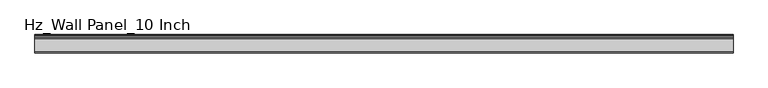
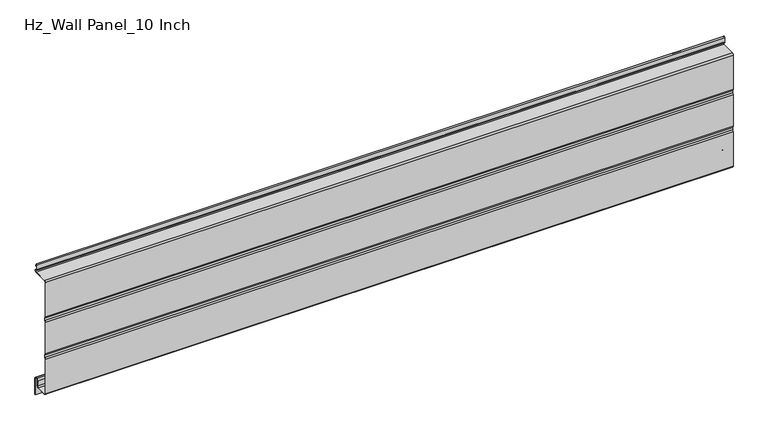
"""IFC4 building model written with IfcOpenShell, lengths in millimetres: plate geometry, Hz_Wall Panel_10 Inch."""

import ifcopenshell
import ifcopenshell.guid

model = None  # the IFC model being written
_history = None  # IfcOwnerHistory: only IFC2X3 demands one
_inside = {}  # id of a spatial element -> (the spatial element, [elements in it])
_under = {}  # id of a project, library or spatial element -> (it, [spatial elements below it])
_declared = {}  # id of a project -> (the project, [libraries it declares])
_typed = {}  # id of a type object -> (the type object, [elements of that type])
_made_of = {}  # id of a material, layer set ... -> (it, [elements and type objects made of it])


def new_model(schema):
    """Start an empty IFC model of exactly this schema.

    Asked for "IFC4X3", IfcOpenShell would pick the latest addendum, in which some entities
    have other attributes; the version numbers below select the first issue.
    IFC2X3 requires an IfcOwnerHistory on every rooted entity: one is made here for all.
    """
    global model, _history
    if schema == "IFC4X3":
        model = ifcopenshell.file(schema_version=(4, 3, 0, 0))
    else:
        model = ifcopenshell.file(schema=schema)
    _inside.clear()
    _under.clear()
    _declared.clear()
    _typed.clear()
    _made_of.clear()
    _history = None
    if model.schema == "IFC2X3":
        org = make("IfcOrganization", Name="unknown")
        user = make(
            "IfcPersonAndOrganization",
            ThePerson=make("IfcPerson", FamilyName="unknown"),
            TheOrganization=org,
        )
        app = make(
            "IfcApplication",
            ApplicationDeveloper=org,
            Version="unknown",
            ApplicationFullName="unknown",
            ApplicationIdentifier="unknown",
        )
        _history = make(
            "IfcOwnerHistory",
            OwningUser=user,
            OwningApplication=app,
            ChangeAction="ADDED",
            CreationDate=0,
        )
    return model


def make(cls, **values):
    """One entity of the class cls with the attributes given. An attribute that is None is left unset."""
    return model.create_entity(
        cls, **{name: value for name, value in values.items() if value is not None}
    )


def rooted(cls, **values):
    """An entity with a GlobalId (a new one), such as an element, a storey or a relation."""
    return make(cls, GlobalId=ifcopenshell.guid.new(), OwnerHistory=_history, **values)


def si_unit(unit_type, name, prefix=None):
    """IfcSIUnit, for example si_unit("LENGTHUNIT", "METRE", prefix="MILLI")."""
    return make("IfcSIUnit", UnitType=unit_type, Prefix=prefix, Name=name)


def assignment(units):
    """IfcUnitAssignment: the units of a project."""
    return None if units is None else make("IfcUnitAssignment", Units=units)


def point(xyz):
    """IfcCartesianPoint."""
    return None if xyz is None else make("IfcCartesianPoint", Coordinates=xyz)


def direction(xyz):
    """IfcDirection."""
    return None if xyz is None else make("IfcDirection", DirectionRatios=xyz)


def frame(location, z_axis=None, x_axis=None):
    """IfcAxis2Placement3D, a coordinate frame: its origin and axes. An axis left out is left unset."""
    return make(
        "IfcAxis2Placement3D",
        Location=point(location),
        Axis=direction(z_axis),
        RefDirection=direction(x_axis),
    )


def frame_2d(location, x_axis=None):
    """IfcAxis2Placement2D, a coordinate frame in the plane: its origin and x axis."""
    return make(
        "IfcAxis2Placement2D", Location=point(location), RefDirection=direction(x_axis)
    )


def origin():
    """The frame at (0, 0, 0) with its axes left unset."""
    return frame((0.0, 0.0, 0.0))


def place(relative_to, where):
    """IfcLocalPlacement: puts the frame where relative to a parent placement (None: the world)."""
    return make(
        "IfcLocalPlacement", PlacementRelTo=relative_to, RelativePlacement=where
    )


def context(
    kind, dimensions, precision=None, world=None, true_north=None, identifier=None
):
    """IfcGeometricRepresentationContext, for example the 3D "Model" context."""
    return make(
        "IfcGeometricRepresentationContext",
        ContextIdentifier=identifier,
        ContextType=kind,
        CoordinateSpaceDimension=dimensions,
        Precision=precision,
        WorldCoordinateSystem=world,
        TrueNorth=true_north,
    )


def project(units=None, contexts=None):
    """IfcProject with its units and contexts."""
    return rooted(
        "IfcProject",
        Name="project",
        RepresentationContexts=contexts,
        UnitsInContext=assignment(units),
    )


def spatial(cls, under=None, at=None, **own):
    """A site, building, storey or space (cls), placed at a placement, below another one or the project."""
    s = rooted(cls, ObjectPlacement=at, **own)
    if under is not None:
        _under.setdefault(under.id(), (under, []))[1].append(s)
    return s


def polyline(points):
    """IfcPolyline through the points."""
    return make("IfcPolyline", Points=[point(p) for p in points])


def circle_curve(where, radius):
    """IfcCircle in the frame where."""
    return make("IfcCircle", Position=where, Radius=radius)


def trimmed(basis, trim1, trim2, sense, master):
    """IfcTrimmedCurve: the piece of a basis curve between two trims."""
    return make(
        "IfcTrimmedCurve",
        BasisCurve=basis,
        Trim1=trim1,
        Trim2=trim2,
        SenseAgreement=sense,
        MasterRepresentation=master,
    )


def segment(curve, same_sense, transition):
    """IfcCompositeCurveSegment."""
    return make(
        "IfcCompositeCurveSegment",
        Transition=transition,
        SameSense=same_sense,
        ParentCurve=curve,
    )


def composite_curve(segments, self_intersect=None):
    """IfcCompositeCurve: segments joined end to end."""
    return make("IfcCompositeCurve", Segments=segments, SelfIntersect=self_intersect)


def outline(outer, holes=None, kind="AREA"):
    """IfcArbitraryClosedProfileDef: a profile drawn as a closed curve; with holes, ...WithVoids."""
    if holes is None:
        return make("IfcArbitraryClosedProfileDef", ProfileType=kind, OuterCurve=outer)
    return make(
        "IfcArbitraryProfileDefWithVoids",
        ProfileType=kind,
        OuterCurve=outer,
        InnerCurves=holes,
    )


def extrude(swept, where, along, depth):
    """IfcExtrudedAreaSolid: the profile swept, set in the frame where, extruded along a direction by depth."""
    return make(
        "IfcExtrudedAreaSolid",
        SweptArea=swept,
        Position=where,
        ExtrudedDirection=direction(along),
        Depth=depth,
    )


def shape(context_of_items, identifier, shape_type, items):
    """IfcShapeRepresentation: the items that make up one representation, for example the "Body"."""
    return make(
        "IfcShapeRepresentation",
        ContextOfItems=context_of_items,
        RepresentationIdentifier=identifier,
        RepresentationType=shape_type,
        Items=items,
    )


def source(mapping_origin, context_of_items, identifier, shape_type, items):
    """IfcRepresentationMap: a shape defined once, which mapped items show again and again."""
    return make(
        "IfcRepresentationMap",
        MappingOrigin=mapping_origin,
        MappedRepresentation=shape(context_of_items, identifier, shape_type, items),
    )


def transform(
    local_origin,
    x_axis=None,
    y_axis=None,
    z_axis=None,
    scale=None,
    scale2=None,
    scale3=None,
    uniform=True,
):
    """IfcCartesianTransformationOperator3D, or its non-uniform kind. x_axis, y_axis, z_axis: its Axis1, 2, 3."""
    if uniform:
        return make(
            "IfcCartesianTransformationOperator3D",
            Axis1=direction(x_axis),
            Axis2=direction(y_axis),
            LocalOrigin=point(local_origin),
            Scale=scale,
            Axis3=direction(z_axis),
        )
    return make(
        "IfcCartesianTransformationOperator3DnonUniform",
        Axis1=direction(x_axis),
        Axis2=direction(y_axis),
        LocalOrigin=point(local_origin),
        Scale=scale,
        Axis3=direction(z_axis),
        Scale2=scale2,
        Scale3=scale3,
    )


def mapped(mapping_source, mapping_target):
    """IfcMappedItem: shows the shape of a source again, moved by a transform."""
    return make(
        "IfcMappedItem", MappingSource=mapping_source, MappingTarget=mapping_target
    )


def made_of(thing, what):
    """Note that an element or type object is made of a material, layer set ...; save() writes the relation."""
    if what is not None:
        _made_of.setdefault(what.id(), (what, []))[1].append(thing)
    return thing


def element(
    cls,
    number,
    at=None,
    inside=None,
    cuts=None,
    type_object=None,
    material=None,
    context=None,
    identifier="Body",
    shape_type=None,
    held_by="IfcProductDefinitionShape",
    body=None,
    shapes=None,
    **own,
):
    """One element of the class cls, such as IfcWall. Its Tag is "e" and its number.

    at: its placement. inside: the storey or other place that contains it. cuts: it is an
    opening in that element (IfcRelVoidsElement). A single representation is given by context,
    identifier, shape_type and body (its items); several are given by shapes. held_by: the class
    of the entity that holds the representations. save() writes the other relations.
    """
    e = rooted(cls, Tag="e%d" % number, ObjectPlacement=at, **own)
    if body is not None:
        shapes = [shape(context, identifier, shape_type, body)]
    if shapes is not None:
        e.Representation = make(held_by, Representations=shapes)
    if inside is not None:
        _inside.setdefault(inside.id(), (inside, []))[1].append(e)
    if cuts is not None:
        rooted(
            "IfcRelVoidsElement", RelatingBuildingElement=cuts, RelatedOpeningElement=e
        )
    if type_object is not None:
        _typed.setdefault(type_object.id(), (type_object, []))[1].append(e)
    return made_of(e, material)


def aggregate(whole, parts):
    """IfcRelAggregates: a whole, such as a stair, and the parts it consists of."""
    return rooted("IfcRelAggregates", RelatingObject=whole, RelatedObjects=parts)


def save(model, path):
    """Write the relations noted so far, then the file.

    IfcRelAggregates (storeys below a building ...), IfcRelContainedInSpatialStructure (elements
    in a storey), IfcRelDefinesByType, IfcRelAssociatesMaterial and IfcRelDeclares: one each for
    every whole, place, type object, material and project.
    """
    for whole, parts in _under.values():
        aggregate(whole, parts)
    for where, things in _inside.values():
        rooted(
            "IfcRelContainedInSpatialStructure",
            RelatedElements=things,
            RelatingStructure=where,
        )
    for kind, things in _typed.values():
        rooted("IfcRelDefinesByType", RelatedObjects=things, RelatingType=kind)
    for what, things in _made_of.values():
        rooted("IfcRelAssociatesMaterial", RelatedObjects=things, RelatingMaterial=what)
    for by, libraries in _declared.values():
        rooted("IfcRelDeclares", RelatingContext=by, RelatedDefinitions=libraries)
    model.write(path)


def hz_wall_panel_10_inch_0b16d058(model_context):
    return source(origin(), model_context, "Body", "SweptSolid", [
        extrude(outline(composite_curve([segment(polyline([(-38.0, 92.0360368), (-38.0, 162.1699633)]), True, "CONTINUOUS"), segment(trimmed(circle_curve(frame_2d((-32.8147418, 162.1699633)), 5.1852582), [point((-38.0, 162.1699633))], [point((-36.5440469, 165.772627))], False, "CARTESIAN"), True, "CONTINUOUS"), segment(polyline([(-36.5440469, 165.772627), (-36.5440469, 170.9580333)]), True, "CONTINUOUS"), segment(trimmed(circle_curve(frame_2d((-32.8147418, 174.560697)), 5.1852582), [point((-36.5440469, 170.9580333))], [point((-38.0, 174.560697))], False, "CARTESIAN"), True, "CONTINUOUS"), segment(polyline([(-38.0, 174.560697), (-38.0, 250.7869903)]), True, "CONTINUOUS"), segment(trimmed(circle_curve(frame_2d((-34.7869903, 250.7869903)), 3.2130097), [point((-38.0, 250.7869903))], [point((-34.7869903, 254.0))], False, "CARTESIAN"), True, "CONTINUOUS"), segment(polyline([(-34.7869903, 254.0), (-4.387915, 254.0)]), True, "CONTINUOUS"), segment(trimmed(circle_curve(frame_2d((-4.3717541, 256.2100252)), 2.2100843), [point((-4.387915, 254.0))], [point((-4.3555933, 258.4200505))], True, "CARTESIAN"), True, "CONTINUOUS"), segment(polyline([(-4.3555933, 258.4200505), (-5.4614945, 258.4563822)]), True, "CONTINUOUS"), segment(trimmed(circle_curve(frame_2d((-5.0208477, 260.8548061)), 2.4385665), [point((-5.4614945, 258.4563822))], [point((-7.4594143, 260.8548061))], False, "CARTESIAN"), True, "CONTINUOUS"), segment(polyline([(-7.4594143, 260.8548061), (-7.4594143, 270.9432488)]), True, "CONTINUOUS"), segment(trimmed(circle_curve(frame_2d((-5.8119214, 270.9387394)), 1.647499), [point((-7.4594143, 270.9432488))], [point((-4.3324658, 271.6636284))], False, "CARTESIAN"), True, "CONTINUOUS"), segment(polyline([(-4.3324658, 271.6636284), (-2.5959483, 267.2703593), (-3.321841, 266.9834374), (-5.0451822, 271.3433712)]), True, "CONTINUOUS"), segment(trimmed(circle_curve(frame_2d((-5.8119214, 270.9387394)), 0.8669579), [point((-5.0451822, 271.3433712))], [point((-6.6788731, 270.9420106))], True, "CARTESIAN"), True, "CONTINUOUS"), segment(polyline([(-6.6788731, 270.9420106), (-6.6788731, 260.8548061)]), True, "CONTINUOUS"), segment(trimmed(circle_curve(frame_2d((-5.0208477, 260.8548061)), 1.6580254), [point((-6.6788731, 260.8548061))], [point((-5.3720644, 259.2344064))], True, "CARTESIAN"), True, "CONTINUOUS"), segment(polyline([(-5.3720644, 259.2344064), (-4.3391708, 259.2004732)]), True, "CONTINUOUS"), segment(trimmed(circle_curve(frame_2d((-4.3717541, 256.2100252)), 2.9906254), [point((-4.3391708, 259.2004732))], [point((-4.3905535, 253.2194589))], False, "CARTESIAN"), True, "CONTINUOUS"), segment(polyline([(-4.3905535, 253.2194589), (-34.7869903, 253.2194589)]), True, "CONTINUOUS"), segment(trimmed(circle_curve(frame_2d((-34.7869903, 250.7869903)), 2.4324686), [point((-34.7869903, 253.2194589))], [point((-37.2194589, 250.7869903))], True, "CARTESIAN"), True, "CONTINUOUS"), segment(polyline([(-37.2194589, 250.7869903), (-37.2194589, 174.560697)]), True, "CONTINUOUS"), segment(trimmed(circle_curve(frame_2d((-32.8147418, 174.560697)), 4.4047171), [point((-37.2194589, 174.560697))], [point((-35.7635058, 171.2886451))], True, "CARTESIAN"), True, "CONTINUOUS"), segment(polyline([(-35.7635058, 171.2886451), (-35.7635058, 165.4420152)]), True, "CONTINUOUS"), segment(trimmed(circle_curve(frame_2d((-32.8147418, 162.1699633)), 4.4047171), [point((-35.7635058, 165.4420152))], [point((-37.2194589, 162.1699633))], True, "CARTESIAN"), True, "CONTINUOUS"), segment(polyline([(-37.2194589, 162.1699633), (-37.2194589, 92.0360368)]), True, "CONTINUOUS"), segment(trimmed(circle_curve(frame_2d((-32.8147418, 92.0360368)), 4.4047171), [point((-37.2194589, 92.0360368))], [point((-35.7635058, 88.7639849))], True, "CARTESIAN"), True, "CONTINUOUS"), segment(polyline([(-35.7635058, 88.7639849), (-35.7635058, 82.9173549)]), True, "CONTINUOUS"), segment(trimmed(circle_curve(frame_2d((-32.8147418, 79.6453031)), 4.4047171), [point((-35.7635058, 82.9173549))], [point((-37.2194589, 79.6453031))], True, "CARTESIAN"), True, "CONTINUOUS"), segment(polyline([(-37.2194589, 79.6453031), (-37.2194589, 3.2130097)]), True, "CONTINUOUS"), segment(trimmed(circle_curve(frame_2d((-34.7869903, 3.2130097)), 2.4324686), [point((-37.2194589, 3.2130097))], [point((-34.7869903, 0.7805411))], True, "CARTESIAN"), True, "CONTINUOUS"), segment(polyline([(-34.7869903, 0.7805411), (-12.0917985, 0.7805411)]), True, "CONTINUOUS"), segment(trimmed(circle_curve(frame_2d((-12.0917985, 3.0977725)), 2.3172314), [point((-12.0917985, 0.7805411))], [point((-9.774567, 3.0977725))], True, "CARTESIAN"), True, "CONTINUOUS"), segment(polyline([(-9.774567, 3.0977725), (-9.774567, 14.3495019)]), True, "CONTINUOUS"), segment(trimmed(circle_curve(frame_2d((-5.8962534, 14.3495019)), 3.8783136), [point((-9.774567, 14.3495019))], [point((-5.8962534, 18.2278156))], False, "CARTESIAN"), True, "CONTINUOUS"), segment(polyline([(-5.8962534, 18.2278156), (-3.8033983, 18.2278156)]), True, "CONTINUOUS"), segment(trimmed(circle_curve(frame_2d((-3.8033983, 14.3495019)), 3.8783136), [point((-3.8033983, 18.2278156))], [point((0.0749154, 14.3495019))], False, "CARTESIAN"), True, "CONTINUOUS"), segment(polyline([(0.0749154, 14.3495019), (0.0749154, -21.9340882), (-0.7056258, -21.9340882), (-0.7056258, 14.3495019)]), True, "CONTINUOUS"), segment(trimmed(circle_curve(frame_2d((-3.8033983, 14.3495019)), 3.0977725), [point((-0.7056258, 14.3495019))], [point((-3.8033983, 17.4472744))], True, "CARTESIAN"), True, "CONTINUOUS"), segment(polyline([(-3.8033983, 17.4472744), (-5.8962534, 17.4472744)]), True, "CONTINUOUS"), segment(trimmed(circle_curve(frame_2d((-5.8962534, 14.3495019)), 3.0977725), [point((-5.8962534, 17.4472744))], [point((-8.9940259, 14.3495019))], True, "CARTESIAN"), True, "CONTINUOUS"), segment(polyline([(-8.9940259, 14.3495019), (-8.9940259, 3.0977725)]), True, "CONTINUOUS"), segment(trimmed(circle_curve(frame_2d((-12.0917985, 3.0977725)), 3.0977725), [point((-8.9940259, 3.0977725))], [point((-12.0917985, 0.0))], False, "CARTESIAN"), True, "CONTINUOUS"), segment(polyline([(-12.0917985, 0.0), (-34.7869903, 0.0)]), True, "CONTINUOUS"), segment(trimmed(circle_curve(frame_2d((-34.7869903, 3.2130097)), 3.2130097), [point((-34.7869903, 0.0))], [point((-38.0, 3.2130097))], False, "CARTESIAN"), True, "CONTINUOUS"), segment(polyline([(-38.0, 3.2130097), (-38.0, 79.6453031)]), True, "CONTINUOUS"), segment(trimmed(circle_curve(frame_2d((-32.8147418, 79.6453031)), 5.1852582), [point((-38.0, 79.6453031))], [point((-36.5440469, 83.2479668))], False, "CARTESIAN"), True, "CONTINUOUS"), segment(polyline([(-36.5440469, 83.2479668), (-36.5440469, 88.433373)]), True, "CONTINUOUS"), segment(trimmed(circle_curve(frame_2d((-32.8147418, 92.0360368)), 5.1852582), [point((-36.5440469, 88.433373))], [point((-38.0, 92.0360368))], False, "CARTESIAN"), True, "CONTINUOUS")], self_intersect=False)), frame((-723.9042608, 0.0, 0.0), z_axis=(1.0, 0.0, 0.0), x_axis=(0.0, 1.0, 0.0)), (0.0, 0.0, 1.0), 1447.8085217),
    ])


if __name__ == "__main__":
    model = new_model("IFC4")
    model_context = context("Model", 3, world=origin())
    ifc_project = project(units=[si_unit("LENGTHUNIT", "METRE", prefix="MILLI")], contexts=[model_context])
    site = spatial("IfcSite", under=ifc_project)
    building = spatial("IfcBuilding", under=site)
    placement = place(None, origin())
    hz_wall_panel_10_inch_shape = hz_wall_panel_10_inch_0b16d058(model_context)
    element("IfcPlate", 1, ObjectType="Hz_Wall Panel_10 Inch", at=placement, inside=building, context=model_context, shape_type="MappedRepresentation", body=[
        mapped(hz_wall_panel_10_inch_shape, transform((0.0, 0.0, 0.0), x_axis=(1.0, 0.0, 0.0), y_axis=(0.0, 1.0, 0.0), z_axis=(0.0, 0.0, 1.0))),
    ])
    save(model, "model.ifc")
